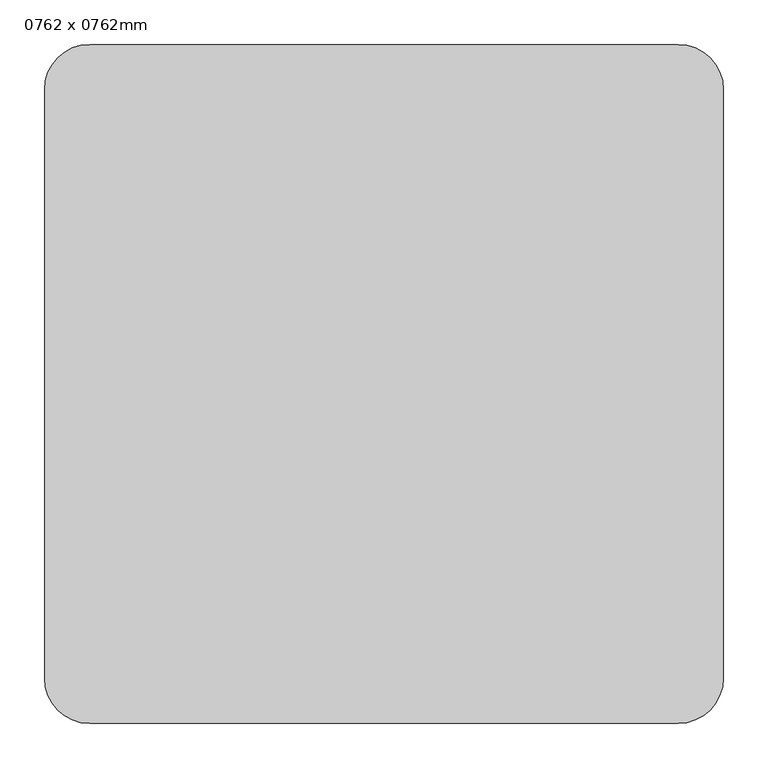
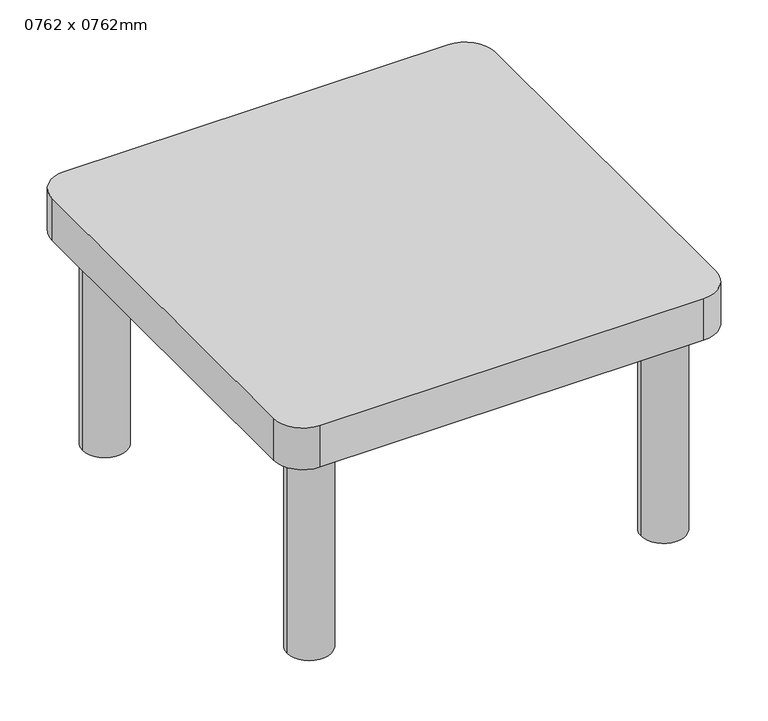
"""IFC4 building model written with IfcOpenShell, lengths in millimetres: furniture geometry, 0762 x 0762mm."""

from ifc_helpers import new_model, si_unit, point, frame, frame_2d, origin, origin_with_axes, place, context, project, spatial, polyline, circle_curve, trimmed, segment, composite_curve, outline, extrude, source, transform, mapped, element, save


def furniture_0762_x_0762mm_a995287c(model_context):
    return source(origin(), model_context, "Body", "SweptSolid", [
        extrude(outline(composite_curve([segment(polyline([(714.9336303, -228.6), (54.5336303, -228.6)]), True, "CONTINUOUS"), segment(trimmed(circle_curve(frame_2d((54.5336303, -177.8)), 50.8), [point((54.5336303, -228.6))], [point((3.7336303, -177.8))], False, "CARTESIAN"), True, "CONTINUOUS"), segment(polyline([(3.7336303, -177.8), (3.7336303, 482.6)]), True, "CONTINUOUS"), segment(trimmed(circle_curve(frame_2d((54.5336303, 482.6)), 50.8), [point((3.7336303, 482.6))], [point((54.5336303, 533.4))], False, "CARTESIAN"), True, "CONTINUOUS"), segment(polyline([(54.5336303, 533.4), (714.9336303, 533.4)]), True, "CONTINUOUS"), segment(trimmed(circle_curve(frame_2d((714.9336303, 482.6)), 50.8), [point((714.9336303, 533.4))], [point((765.7336303, 482.6))], False, "CARTESIAN"), True, "CONTINUOUS"), segment(polyline([(765.7336303, 482.6), (765.7336303, -177.8)]), True, "CONTINUOUS"), segment(trimmed(circle_curve(frame_2d((714.9336303, -177.8)), 50.8), [point((765.7336303, -177.8))], [point((714.9336303, -228.6))], False, "CARTESIAN"), True, "CONTINUOUS")], self_intersect=False)), frame((0.0, 0.0, 380.8), z_axis=(0.0, 0.0, 1.0), x_axis=(1.0, 0.0, 0.0)), (0.0, 0.0, 1.0), 76.2),
        extrude(outline(composite_curve([segment(trimmed(circle_curve(frame_2d((79.9336303, 457.2)), 38.1), [point((41.8336303, 457.2))], [point((118.0336303, 457.2))], False, "CARTESIAN"), True, "CONTINUOUS"), segment(trimmed(circle_curve(frame_2d((79.9336303, 457.2)), 38.1), [point((118.0336303, 457.2))], [point((41.8336303, 457.2))], False, "CARTESIAN"), True, "CONTINUOUS")], self_intersect=False)), origin_with_axes(), (0.0, 0.0, 1.0), 380.8),
        extrude(outline(composite_curve([segment(trimmed(circle_curve(frame_2d((79.9336303, -152.4)), 38.1), [point((41.8336303, -152.4))], [point((118.0336303, -152.4))], False, "CARTESIAN"), True, "CONTINUOUS"), segment(trimmed(circle_curve(frame_2d((79.9336303, -152.4)), 38.1), [point((118.0336303, -152.4))], [point((41.8336303, -152.4))], False, "CARTESIAN"), True, "CONTINUOUS")], self_intersect=False)), origin_with_axes(), (0.0, 0.0, 1.0), 380.8),
        extrude(outline(composite_curve([segment(trimmed(circle_curve(frame_2d((689.5336303, -152.4)), 38.1), [point((651.4336303, -152.4))], [point((727.6336303, -152.4))], False, "CARTESIAN"), True, "CONTINUOUS"), segment(trimmed(circle_curve(frame_2d((689.5336303, -152.4)), 38.1), [point((727.6336303, -152.4))], [point((651.4336303, -152.4))], False, "CARTESIAN"), True, "CONTINUOUS")], self_intersect=False)), origin_with_axes(), (0.0, 0.0, 1.0), 380.8),
        extrude(outline(composite_curve([segment(trimmed(circle_curve(frame_2d((689.5336303, 457.2)), 38.1), [point((651.4336303, 457.2))], [point((727.6336303, 457.2))], False, "CARTESIAN"), True, "CONTINUOUS"), segment(trimmed(circle_curve(frame_2d((689.5336303, 457.2)), 38.1), [point((727.6336303, 457.2))], [point((651.4336303, 457.2))], False, "CARTESIAN"), True, "CONTINUOUS")], self_intersect=False)), origin_with_axes(), (0.0, 0.0, 1.0), 380.8),
    ])


if __name__ == "__main__":
    model = new_model("IFC4")
    model_context = context("Model", 3, world=origin())
    ifc_project = project(units=[si_unit("LENGTHUNIT", "METRE", prefix="MILLI")], contexts=[model_context])
    site = spatial("IfcSite", under=ifc_project)
    building = spatial("IfcBuilding", under=site)
    placement = place(None, origin())
    furniture_0762_x_0762mm_shape = furniture_0762_x_0762mm_a995287c(model_context)
    element("IfcFurniture", 1, ObjectType="0762 x 0762mm", at=placement, inside=building, context=model_context, shape_type="MappedRepresentation", body=[
        mapped(furniture_0762_x_0762mm_shape, transform((0.0, 0.0, 0.0), x_axis=(1.0, 0.0, 0.0), y_axis=(0.0, 1.0, 0.0), z_axis=(0.0, 0.0, 1.0))),
    ])
    save(model, "model.ifc")
